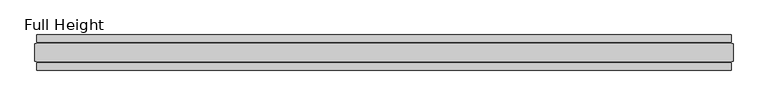
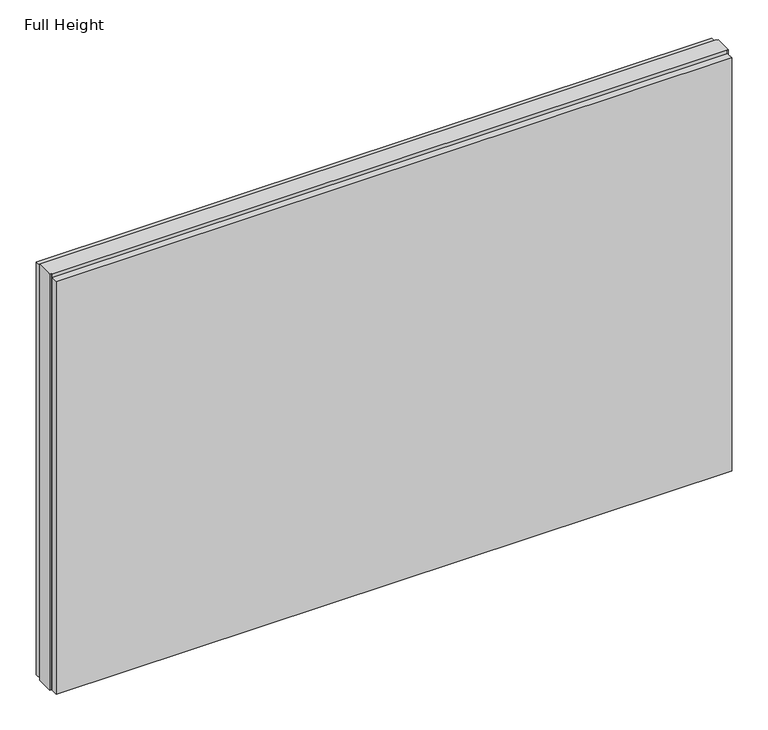
"""IFC4 building model written with IfcOpenShell, lengths in millimetres: plate geometry, Full Height."""

from ifc_helpers import new_model, si_unit, origin, origin_with_axes, place, context, project, spatial, polyline, outline, extrude, source, transform, mapped, element, save


def full_height_d9e22a4d(model_context):
    return source(origin(), model_context, "Body", "SweptSolid", [
        extrude(outline(polyline([(980.8027254, 28.956), (-980.8027254, 28.956), (-980.8027254, 49.53), (980.8027254, 49.53), (980.8027254, 28.956)])), origin_with_axes(), (0.0, 0.0, 1.0), 1269.4038084),
        extrude(outline(polyline([(980.8027254, -28.956), (980.8027254, -49.53), (-980.8027254, -49.53), (-980.8027254, -28.956), (980.8027254, -28.956)])), origin_with_axes(), (0.0, 0.0, 1.0), 1269.4038084),
        extrude(outline(polyline([(980.8027254, -25.146), (980.8027254, -26.67), (-980.8027254, -26.67), (-980.8027254, -25.146), (-985.3747254, -25.146), (-985.3747254, 25.146), (-980.8027254, 25.146), (-980.8027254, 26.67), (980.8027254, 26.67), (980.8027254, 25.146), (985.3747254, 25.146), (985.3747254, -25.146), (980.8027254, -25.146)])), origin_with_axes(), (0.0, 0.0, 1.0), 1278.5478084),
    ])


if __name__ == "__main__":
    model = new_model("IFC4")
    model_context = context("Model", 3, world=origin())
    ifc_project = project(units=[si_unit("LENGTHUNIT", "METRE", prefix="MILLI")], contexts=[model_context])
    site = spatial("IfcSite", under=ifc_project)
    building = spatial("IfcBuilding", under=site)
    placement = place(None, origin())
    full_height_shape = full_height_d9e22a4d(model_context)
    element("IfcPlate", 1, ObjectType="Full Height", at=placement, inside=building, context=model_context, shape_type="MappedRepresentation", body=[
        mapped(full_height_shape, transform((0.0, 0.0, 0.0), x_axis=(1.0, 0.0, 0.0), y_axis=(0.0, 1.0, 0.0), z_axis=(0.0, 0.0, 1.0))),
    ])
    save(model, "model.ifc")
